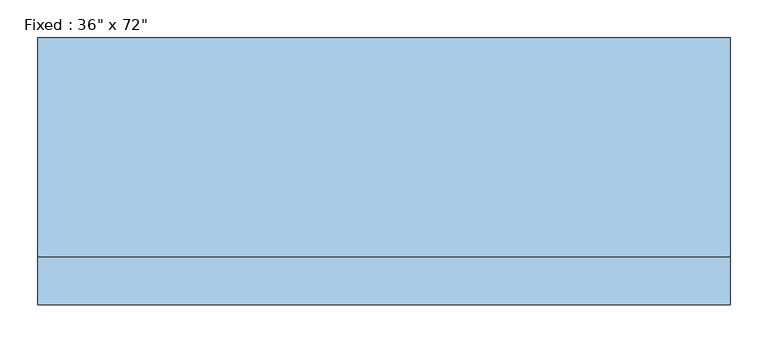
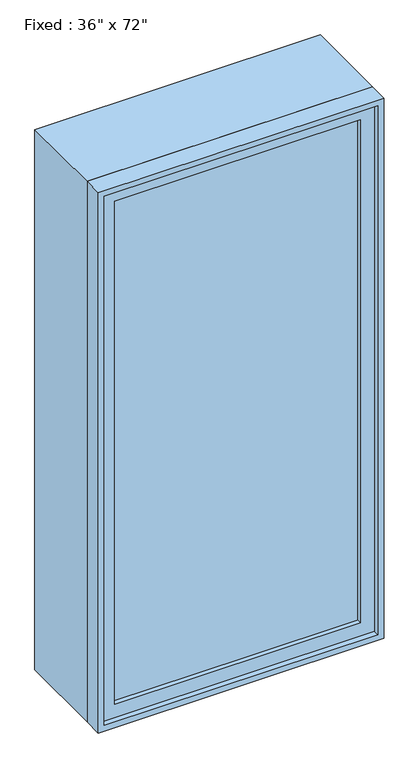
"""IFC4 building model written with IfcOpenShell, lengths in millimetres: window geometry."""

from ifc_helpers import new_model, si_unit, frame, origin, place, context, project, spatial, polyline, outline, extrude, source, transform, mapped, element, save


def window_9c0dbd08(model_context):
    return source(origin(), model_context, "Body", "SweptSolid", [
        extrude(outline(polyline([(355.6, -128.5875), (355.6, -141.2875), (-431.8, -141.2875), (-431.8, -128.5875), (355.6, -128.5875)])), frame((0.0, 0.0, 368.3), z_axis=(0.0, 0.0, 1.0), x_axis=(1.0, 0.0, 0.0)), (0.0, 0.0, 1.0), 1701.8),
        extrude(outline(polyline([(2114.55, -476.25), (323.85, -476.25), (323.85, 400.05), (2114.55, 400.05), (2114.55, -476.25)]), holes=[polyline([(2070.1, -431.8), (2070.1, 355.6), (368.3, 355.6), (368.3, -431.8), (2070.1, -431.8)])]), frame((0.0, -157.1625, 0.0), z_axis=(0.0, 1.0, 0.0), x_axis=(0.0, 0.0, 1.0)), (0.0, 0.0, 1.0), 44.45),
        extrude(outline(polyline([(2133.6, -495.3), (304.8, -495.3), (304.8, 419.1), (2133.6, 419.1), (2133.6, -495.3)]), holes=[polyline([(2101.85, -463.55), (2101.85, 387.35), (336.55, 387.35), (336.55, -463.55), (2101.85, -463.55)])]), frame((0.0, -112.7125, 0.0), z_axis=(0.0, 1.0, 0.0), x_axis=(0.0, 0.0, 1.0)), (0.0, 0.0, 1.0), 288.925),
        extrude(outline(polyline([(2133.6, 419.1), (2133.6, -495.3), (304.8, -495.3), (304.8, 419.1), (2133.6, 419.1)]), holes=[polyline([(2114.55, 400.05), (323.85, 400.05), (323.85, -476.25), (2114.55, -476.25), (2114.55, 400.05)])]), frame((0.0, -176.2125, 0.0), z_axis=(0.0, 1.0, 0.0), x_axis=(0.0, 0.0, 1.0)), (0.0, 0.0, 1.0), 63.5),
    ])


if __name__ == "__main__":
    model = new_model("IFC4")
    model_context = context("Model", 3, world=origin())
    ifc_project = project(units=[si_unit("LENGTHUNIT", "METRE", prefix="MILLI")], contexts=[model_context])
    site = spatial("IfcSite", under=ifc_project)
    building = spatial("IfcBuilding", under=site)
    placement = place(None, origin())
    window_shape = window_9c0dbd08(model_context)
    element("IfcWindow", 1, ObjectType="Fixed : 36\" x 72\"", at=placement, inside=building, context=model_context, shape_type="MappedRepresentation", body=[
        mapped(window_shape, transform((0.0, 0.0, 0.0), x_axis=(1.0, 0.0, 0.0), y_axis=(0.0, 1.0, 0.0), z_axis=(0.0, 0.0, 1.0))),
    ])
    save(model, "model.ifc")
